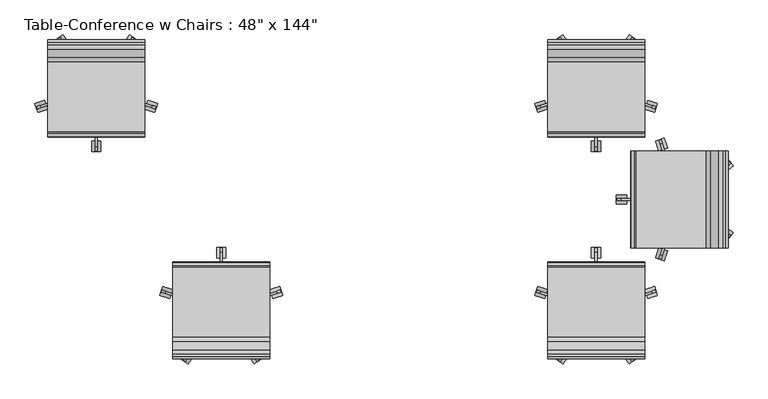
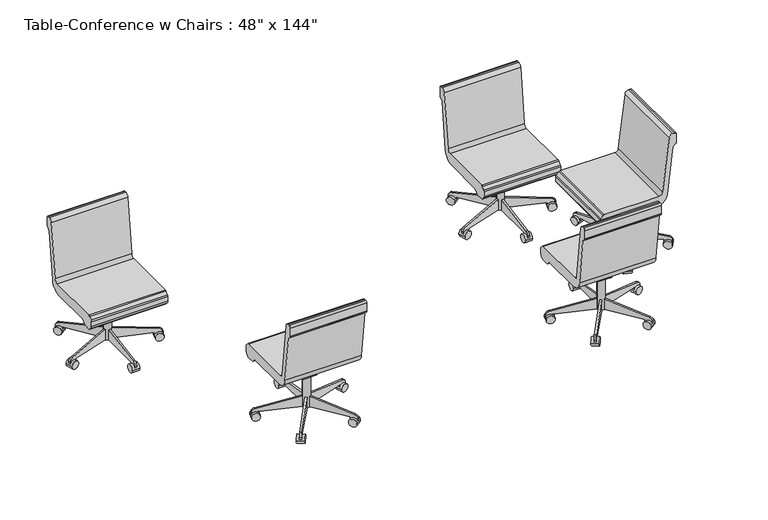
"""IFC4 building model written with IfcOpenShell, lengths in millimetres: furniture geometry."""

from ifc_helpers import new_model, si_unit, point, frame, frame_2d, origin, place, context, project, spatial, polyline, circle_curve, trimmed, segment, composite_curve, outline, extrude, source, transform, mapped, element, save


def furniture_2ba76473(model_context):
    return source(origin(), model_context, "Body", "SweptSolid", [
        extrude(outline(composite_curve([segment(trimmed(circle_curve(frame_2d((754.7509471, 482.6)), 25.4), [point((754.7509471, 457.2))], [point((779.9769725, 479.6322323))], True, "CARTESIAN"), True, "CONTINUOUS"), segment(polyline([(779.9769725, 479.6322323), (825.4988002, 866.5677677)]), True, "CONTINUOUS"), segment(trimmed(circle_curve(frame_2d((850.7248255, 863.6)), 25.4), [point((825.4988002, 866.5677677))], [point((850.7248255, 889.0))], False, "CARTESIAN"), True, "CONTINUOUS"), segment(polyline([(850.7248255, 889.0), (863.6, 889.0)]), True, "CONTINUOUS"), segment(trimmed(circle_curve(frame_2d((863.6, 876.3)), 12.7), [point((863.6, 889.0))], [point((876.3, 876.3))], False, "CARTESIAN"), True, "CONTINUOUS"), segment(polyline([(876.3, 876.3), (876.3, 818.0605122)]), True, "CONTINUOUS"), segment(trimmed(circle_curve(frame_2d((863.6, 818.0605122)), 12.7), [point((876.3, 818.0605122))], [point((872.5802561, 809.0802561))], False, "CARTESIAN"), True, "CONTINUOUS"), segment(polyline([(872.5802561, 809.0802561), (850.9, 787.4), (811.3329755, 451.0802913)]), True, "CONTINUOUS"), segment(trimmed(circle_curve(frame_2d((735.6548994, 459.9835944)), 76.2), [point((811.3329755, 451.0802913))], [point((735.6548994, 383.7835944))], False, "CARTESIAN"), True, "CONTINUOUS"), segment(polyline([(735.6548994, 383.7835944), (447.4714414, 383.7835944), (419.0988732, 355.6), (368.2988732, 355.6), (350.279576, 373.7401184)]), True, "CONTINUOUS"), segment(trimmed(circle_curve(frame_2d((368.3, 391.6405184)), 25.4), [point((350.279576, 373.7401184))], [point((342.9, 391.6405184))], False, "CARTESIAN"), True, "CONTINUOUS"), segment(polyline([(342.9, 391.6405184), (342.9, 426.6837879)]), True, "CONTINUOUS"), segment(trimmed(circle_curve(frame_2d((355.6, 426.6837879)), 12.7), [point((342.9, 426.6837879))], [point((346.6498, 435.6939999))], False, "CARTESIAN"), True, "CONTINUOUS"), segment(polyline([(346.6498, 435.6939999), (364.5854716, 453.510212)]), True, "CONTINUOUS"), segment(trimmed(circle_curve(frame_2d((373.5356716, 444.5)), 12.7), [point((364.5854716, 453.510212))], [point((373.5356716, 457.2))], False, "CARTESIAN"), True, "CONTINUOUS"), segment(polyline([(373.5356716, 457.2), (754.7509471, 457.2)]), True, "CONTINUOUS")], self_intersect=False)), frame((1104.9, 0.0, 0.0), z_axis=(1.0, 0.0, 0.0), x_axis=(0.0, 1.0, 0.0)), (0.0, 0.0, 1.0), 533.4),
        extrude(outline(polyline([(558.8, 383.7835944), (647.7, 383.7835944), (647.7, 283.0954134), (609.6, 283.0954134), (558.8, 371.0835944), (558.8, 383.7835944)])), frame((1320.8, 0.0, 0.0), z_axis=(1.0, 0.0, 0.0), x_axis=(0.0, 1.0, 0.0)), (0.0, 0.0, 1.0), 101.6),
        extrude(outline(composite_curve([segment(polyline([(317.5, 53.5835944), (317.5, 28.1835944), (266.7, 28.1835944), (266.7, 52.4866474)]), True, "CONTINUOUS"), segment(trimmed(circle_curve(frame_2d((292.1, 52.4866474)), 25.4), [point((266.7, 52.4866474))], [point((287.6893363, 77.5007643))], False, "CARTESIAN"), True, "CONTINUOUS"), segment(polyline([(287.6893363, 77.5007643), (584.2, 129.7835944), (609.6, 129.7835944), (609.6, 53.5835944), (317.5, 53.5835944)]), True, "CONTINUOUS")], self_intersect=False)), frame((1365.25, 0.0, 0.0), z_axis=(1.0, 0.0, 0.0), x_axis=(0.0, 1.0, 0.0)), (0.0, 0.0, 1.0), 12.7),
        extrude(outline(composite_curve([segment(trimmed(circle_curve(frame_2d((292.1, 28.1835944)), 28.2002727), [point((320.3002727, 28.1835944))], [point((263.8997273, 28.1835944))], False, "CARTESIAN"), True, "CONTINUOUS"), segment(trimmed(circle_curve(frame_2d((292.1, 28.1835944)), 28.2002727), [point((263.8997273, 28.1835944))], [point((320.3002727, 28.1835944))], False, "CARTESIAN"), True, "CONTINUOUS")], self_intersect=False)), frame((1346.2, 0.0, 0.0), z_axis=(1.0, 0.0, 0.0), x_axis=(0.0, 1.0, 0.0)), (0.0, 0.0, 1.0), 50.8),
        extrude(outline(composite_curve([segment(polyline([(-25.4, 0.0), (0.0, 0.0), (0.0, -50.8), (-24.303053, -50.8)]), True, "CONTINUOUS"), segment(trimmed(circle_curve(frame_2d((-24.303053, -25.4)), 25.4), [point((-24.303053, -50.8))], [point((-49.3171699, -29.8106637))], False, "CARTESIAN"), True, "CONTINUOUS"), segment(polyline([(-49.3171699, -29.8106637), (-101.6, 266.7), (-101.6, 292.1), (-25.4, 292.1), (-25.4, 0.0)]), True, "CONTINUOUS")], self_intersect=False)), frame((1647.4413505, 513.2969271, 28.1835944), z_axis=(0.30901699437495167, 0.9510565162951522, 0.0), x_axis=(0.0, 0.0, -1.0)), (0.0, 0.0, 1.0), 12.7),
        extrude(outline(composite_curve([segment(trimmed(circle_curve(frame_2d((0.0, -28.2002727)), 28.2002727), [point((0.0, -56.4005455))], [point((0.0, 0.0))], False, "CARTESIAN"), True, "CONTINUOUS"), segment(trimmed(circle_curve(frame_2d((0.0, -28.2002727)), 28.2002727), [point((0.0, 0.0))], [point((0.0, -56.4005455))], False, "CARTESIAN"), True, "CONTINUOUS")], self_intersect=False)), frame((1692.5314654, 478.6159053, 28.1835944), z_axis=(0.30901699437495167, 0.9510565162951522, 0.0), x_axis=(0.0, 0.0, 1.0)), (0.0, 0.0, 1.0), 50.8),
        extrude(outline(composite_curve([segment(polyline([(-25.4, 0.0), (0.0, 0.0), (0.0, -50.8), (-24.303053, -50.8)]), True, "CONTINUOUS"), segment(trimmed(circle_curve(frame_2d((-24.303053, -25.4)), 25.4), [point((-24.303053, -50.8))], [point((-49.3171699, -29.8106638))], False, "CARTESIAN"), True, "CONTINUOUS"), segment(polyline([(-49.3171699, -29.8106638), (-101.6, 266.7), (-101.6, 292.1), (-25.4, 292.1), (-25.4, 0.0)]), True, "CONTINUOUS")], self_intersect=False)), frame((1548.4293301, 842.1814277, 28.1835944), z_axis=(-0.809016994374944, 0.5877852522924779, 0.0), x_axis=(0.0, 0.0, -1.0)), (0.0, 0.0, 1.0), 12.7),
        extrude(outline(composite_curve([segment(trimmed(circle_curve(frame_2d((0.0, -28.2002727)), 28.2002727), [point((0.0, -56.4005455))], [point((0.0, 0.0))], False, "CARTESIAN"), True, "CONTINUOUS"), segment(trimmed(circle_curve(frame_2d((0.0, -28.2002727)), 28.2002727), [point((0.0, 0.0))], [point((0.0, -56.4005455))], False, "CARTESIAN"), True, "CONTINUOUS")], self_intersect=False)), frame((1595.3465537, 874.3476502, 28.1835944), z_axis=(-0.809016994374944, 0.587785252292478, 0.0), x_axis=(0.0, 0.0, 1.0)), (0.0, 0.0, 1.0), 50.8),
        extrude(outline(composite_curve([segment(polyline([(25.4, 0.0), (25.4, 292.1), (101.6, 292.1), (101.6, 266.7), (49.3171699, -29.8106638)]), True, "CONTINUOUS"), segment(trimmed(circle_curve(frame_2d((24.303053, -25.4)), 25.4), [point((49.3171699, -29.8106638))], [point((24.303053, -50.8))], False, "CARTESIAN"), True, "CONTINUOUS"), segment(polyline([(24.303053, -50.8), (0.0, -50.8), (0.0, 0.0), (25.4, 0.0)]), True, "CONTINUOUS")], self_intersect=False)), frame((1194.7706699, 842.1814277, 28.1835944), z_axis=(0.8090169943749518, 0.5877852522924674, 0.0), x_axis=(0.0, 0.0, 1.0)), (0.0, 0.0, 1.0), 12.7),
        extrude(outline(composite_curve([segment(trimmed(circle_curve(frame_2d((0.0, -28.2002727)), 28.2002727), [point((0.0, -56.4005455))], [point((0.0, 0.0))], False, "CARTESIAN"), True, "CONTINUOUS"), segment(trimmed(circle_curve(frame_2d((0.0, -28.2002727)), 28.2002727), [point((0.0, 0.0))], [point((0.0, -56.4005455))], False, "CARTESIAN"), True, "CONTINUOUS")], self_intersect=False)), frame((1147.8534463, 874.3476502, 28.1835944), z_axis=(0.8090169943749518, 0.5877852522924674, 0.0), x_axis=(0.0, 0.0, -1.0)), (0.0, 0.0, 1.0), 50.8),
        extrude(outline(composite_curve([segment(polyline([(25.4, 0.0), (25.4, 292.1), (101.6, 292.1), (101.6, 266.7), (49.3171699, -29.8106637)]), True, "CONTINUOUS"), segment(trimmed(circle_curve(frame_2d((24.303053, -25.4)), 25.4), [point((49.3171699, -29.8106637))], [point((24.303053, -50.8))], False, "CARTESIAN"), True, "CONTINUOUS"), segment(polyline([(24.303053, -50.8), (0.0, -50.8), (0.0, 0.0), (25.4, 0.0)]), True, "CONTINUOUS")], self_intersect=False)), frame((1095.7586495, 513.2969271, 28.1835944), z_axis=(-0.3090169943749393, 0.9510565162951563, 0.0), x_axis=(0.0, 0.0, 1.0)), (0.0, 0.0, 1.0), 12.7),
        extrude(outline(composite_curve([segment(trimmed(circle_curve(frame_2d((0.0, -28.2002727)), 28.2002727), [point((0.0, -56.4005455))], [point((0.0, 0.0))], False, "CARTESIAN"), True, "CONTINUOUS"), segment(trimmed(circle_curve(frame_2d((0.0, -28.2002727)), 28.2002727), [point((0.0, 0.0))], [point((0.0, -56.4005455))], False, "CARTESIAN"), True, "CONTINUOUS")], self_intersect=False)), frame((1050.6685346, 478.6159053, 28.1835944), z_axis=(-0.3090169943749393, 0.9510565162951563, 0.0), x_axis=(0.0, 0.0, -1.0)), (0.0, 0.0, 1.0), 50.8),
        extrude(outline(composite_curve([segment(trimmed(circle_curve(frame_2d((1371.6, 609.6)), 25.4), [point((1397.0, 609.6))], [point((1346.2, 609.6))], False, "CARTESIAN"), True, "CONTINUOUS"), segment(trimmed(circle_curve(frame_2d((1371.6, 609.6)), 25.4), [point((1346.2, 609.6))], [point((1397.0, 609.6))], False, "CARTESIAN"), True, "CONTINUOUS")], self_intersect=False)), frame((0.0, 0.0, 53.5835944), z_axis=(0.0, 0.0, 1.0), x_axis=(1.0, 0.0, 0.0)), (0.0, 0.0, 1.0), 330.5914056),
        extrude(outline(composite_curve([segment(polyline([(-754.7509471, 457.2), (-373.5356716, 457.2)]), True, "CONTINUOUS"), segment(trimmed(circle_curve(frame_2d((-373.5356716, 444.5)), 12.7), [point((-373.5356716, 457.2))], [point((-364.5854716, 453.510212))], False, "CARTESIAN"), True, "CONTINUOUS"), segment(polyline([(-364.5854716, 453.510212), (-346.6498, 435.6939999)]), True, "CONTINUOUS"), segment(trimmed(circle_curve(frame_2d((-355.6, 426.6837879)), 12.7), [point((-346.6498, 435.6939999))], [point((-342.9, 426.6837879))], False, "CARTESIAN"), True, "CONTINUOUS"), segment(polyline([(-342.9, 426.6837879), (-342.9, 391.6405184)]), True, "CONTINUOUS"), segment(trimmed(circle_curve(frame_2d((-368.3, 391.6405184)), 25.4), [point((-342.9, 391.6405184))], [point((-350.279576, 373.7401184))], False, "CARTESIAN"), True, "CONTINUOUS"), segment(polyline([(-350.279576, 373.7401184), (-368.2988732, 355.6), (-419.0988732, 355.6), (-447.4714414, 383.7835944), (-735.6548994, 383.7835944)]), True, "CONTINUOUS"), segment(trimmed(circle_curve(frame_2d((-735.6548994, 459.9835944)), 76.2), [point((-735.6548994, 383.7835944))], [point((-811.3329755, 451.0802913))], False, "CARTESIAN"), True, "CONTINUOUS"), segment(polyline([(-811.3329755, 451.0802913), (-850.9, 787.4), (-872.5802561, 809.0802561)]), True, "CONTINUOUS"), segment(trimmed(circle_curve(frame_2d((-863.6, 818.0605122)), 12.7), [point((-872.5802561, 809.0802561))], [point((-876.3, 818.0605122))], False, "CARTESIAN"), True, "CONTINUOUS"), segment(polyline([(-876.3, 818.0605122), (-876.3, 876.3)]), True, "CONTINUOUS"), segment(trimmed(circle_curve(frame_2d((-863.6, 876.3)), 12.7), [point((-876.3, 876.3))], [point((-863.6, 889.0))], False, "CARTESIAN"), True, "CONTINUOUS"), segment(polyline([(-863.6, 889.0), (-850.7248255, 889.0)]), True, "CONTINUOUS"), segment(trimmed(circle_curve(frame_2d((-850.7248255, 863.6)), 25.4), [point((-850.7248255, 889.0))], [point((-825.4988002, 866.5677677))], False, "CARTESIAN"), True, "CONTINUOUS"), segment(polyline([(-825.4988002, 866.5677677), (-779.9769725, 479.6322323)]), True, "CONTINUOUS"), segment(trimmed(circle_curve(frame_2d((-754.7509471, 482.6)), 25.4), [point((-779.9769725, 479.6322323))], [point((-754.7509471, 457.2))], True, "CARTESIAN"), True, "CONTINUOUS")], self_intersect=False)), frame((-952.5, 0.0, 0.0), z_axis=(1.0, 0.0, 0.0), x_axis=(0.0, 1.0, 0.0)), (0.0, 0.0, 1.0), 533.4),
        extrude(outline(polyline([(-558.8, 383.7835944), (-558.8, 371.0835944), (-609.6, 283.0954134), (-647.7, 283.0954134), (-647.7, 383.7835944), (-558.8, 383.7835944)])), frame((-736.6, 0.0, 0.0), z_axis=(1.0, 0.0, 0.0), x_axis=(0.0, 1.0, 0.0)), (0.0, 0.0, 1.0), 101.6),
        extrude(outline(composite_curve([segment(polyline([(-317.5, 53.5835944), (-609.6, 53.5835944), (-609.6, 129.7835944), (-584.2, 129.7835944), (-287.6893363, 77.5007643)]), True, "CONTINUOUS"), segment(trimmed(circle_curve(frame_2d((-292.1, 52.4866474)), 25.4), [point((-287.6893363, 77.5007643))], [point((-266.7, 52.4866474))], False, "CARTESIAN"), True, "CONTINUOUS"), segment(polyline([(-266.7, 52.4866474), (-266.7, 28.1835944), (-317.5, 28.1835944), (-317.5, 53.5835944)]), True, "CONTINUOUS")], self_intersect=False)), frame((-692.15, 0.0, 0.0), z_axis=(1.0, 0.0, 0.0), x_axis=(0.0, 1.0, 0.0)), (0.0, 0.0, 1.0), 12.7),
        extrude(outline(composite_curve([segment(trimmed(circle_curve(frame_2d((-292.1, 28.1835944)), 28.2002727), [point((-320.3002727, 28.1835944))], [point((-263.8997273, 28.1835944))], False, "CARTESIAN"), True, "CONTINUOUS"), segment(trimmed(circle_curve(frame_2d((-292.1, 28.1835944)), 28.2002727), [point((-263.8997273, 28.1835944))], [point((-320.3002727, 28.1835944))], False, "CARTESIAN"), True, "CONTINUOUS")], self_intersect=False)), frame((-711.2, 0.0, 0.0), z_axis=(1.0, 0.0, 0.0), x_axis=(0.0, 1.0, 0.0)), (0.0, 0.0, 1.0), 50.8),
        extrude(outline(composite_curve([segment(polyline([(25.4, 0.0), (25.4, 292.1), (101.6, 292.1), (101.6, 266.7), (49.3171699, -29.8106637)]), True, "CONTINUOUS"), segment(trimmed(circle_curve(frame_2d((24.303053, -25.4)), 25.4), [point((49.3171699, -29.8106637))], [point((24.303053, -50.8000001))], False, "CARTESIAN"), True, "CONTINUOUS"), segment(polyline([(24.303053, -50.8000001), (0.0, -50.8000001), (0.0, 0.0), (25.4, 0.0)]), True, "CONTINUOUS")], self_intersect=False)), frame((-965.5658663, -525.3753448, 28.1835944), z_axis=(0.3090169943749487, 0.9510565162951532, 0.0), x_axis=(0.0, 0.0, 1.0)), (0.0, 0.0, 1.0), 12.7),
        extrude(outline(composite_curve([segment(trimmed(circle_curve(frame_2d((0.0, -28.2002727)), 28.2002727), [point((0.0, -56.4005454))], [point((0.0, 0.0))], False, "CARTESIAN"), True, "CONTINUOUS"), segment(trimmed(circle_curve(frame_2d((0.0, -28.2002727)), 28.2002727), [point((0.0, 0.0))], [point((0.0, -56.4005454))], False, "CARTESIAN"), True, "CONTINUOUS")], self_intersect=False)), frame((-1022.4295287, -526.9295763, 28.1835944), z_axis=(0.3090169943749487, 0.9510565162951532, 0.0), x_axis=(0.0, 0.0, -1.0)), (0.0, 0.0, 1.0), 50.8),
        extrude(outline(composite_curve([segment(polyline([(25.4, 0.0), (25.4, 292.1), (101.6, 292.1), (101.6, 266.7), (49.3171699, -29.8106638)]), True, "CONTINUOUS"), segment(trimmed(circle_curve(frame_2d((24.303053, -25.4)), 25.4), [point((49.3171699, -29.8106638))], [point((24.303053, -50.8))], False, "CARTESIAN"), True, "CONTINUOUS"), segment(polyline([(24.303053, -50.8), (0.0, -50.8), (0.0, 0.0), (25.4, 0.0)]), True, "CONTINUOUS")], self_intersect=False)), frame((-852.3548143, -849.6463004, 28.1835944), z_axis=(-0.8090169943749459, 0.5877852522924754, 0.0), x_axis=(0.0, 0.0, 1.0)), (0.0, 0.0, 1.0), 12.7),
        extrude(outline(composite_curve([segment(trimmed(circle_curve(frame_2d((0.0, -28.2002728)), 28.2002727), [point((0.0, -56.4005455))], [point((0.0, 0.0))], False, "CARTESIAN"), True, "CONTINUOUS"), segment(trimmed(circle_curve(frame_2d((0.0, -28.2002728)), 28.2002727), [point((0.0, 0.0))], [point((0.0, -56.4005455))], False, "CARTESIAN"), True, "CONTINUOUS")], self_intersect=False)), frame((-868.4484904, -904.207141, 28.1835944), z_axis=(-0.8090169943749458, 0.5877852522924754, 0.0), x_axis=(0.0, 0.0, -1.0)), (0.0, 0.0, 1.0), 50.8),
        extrude(outline(composite_curve([segment(polyline([(-25.4, 0.0), (0.0, 0.0), (0.0, -50.8), (-24.303053, -50.8)]), True, "CONTINUOUS"), segment(trimmed(circle_curve(frame_2d((-24.303053, -25.4)), 25.4), [point((-24.303053, -50.8))], [point((-49.3171699, -29.8106638))], False, "CARTESIAN"), True, "CONTINUOUS"), segment(polyline([(-49.3171699, -29.8106638), (-101.6, 266.7), (-101.6, 292.1), (-25.4, 292.1), (-25.4, 0.0)]), True, "CONTINUOUS")], self_intersect=False)), frame((-519.2451857, -849.6463004, 28.1835944), z_axis=(0.8090169943749499, 0.5877852522924699, 0.0), x_axis=(0.0, 0.0, -1.0)), (0.0, 0.0, 1.0), 12.7),
        extrude(outline(composite_curve([segment(trimmed(circle_curve(frame_2d((0.0, -28.2002728)), 28.2002727), [point((0.0, -56.4005455))], [point((0.0, 0.0))], False, "CARTESIAN"), True, "CONTINUOUS"), segment(trimmed(circle_curve(frame_2d((0.0, -28.2002728)), 28.2002727), [point((0.0, 0.0))], [point((0.0, -56.4005455))], False, "CARTESIAN"), True, "CONTINUOUS")], self_intersect=False)), frame((-503.1515096, -904.207141, 28.1835944), z_axis=(0.8090169943749499, 0.5877852522924699, 0.0), x_axis=(0.0, 0.0, 1.0)), (0.0, 0.0, 1.0), 50.8),
        extrude(outline(composite_curve([segment(polyline([(-25.4, 0.0), (0.0, 0.0), (0.0, -50.8000001), (-24.303053, -50.8000001)]), True, "CONTINUOUS"), segment(trimmed(circle_curve(frame_2d((-24.303053, -25.4)), 25.4), [point((-24.303053, -50.8000001))], [point((-49.3171699, -29.8106637))], False, "CARTESIAN"), True, "CONTINUOUS"), segment(polyline([(-49.3171699, -29.8106637), (-101.6, 266.7), (-101.6, 292.1), (-25.4, 292.1), (-25.4, 0.0)]), True, "CONTINUOUS")], self_intersect=False)), frame((-406.0341337, -525.3753448, 28.1835944), z_axis=(-0.3090169943749423, 0.9510565162951553, 0.0), x_axis=(0.0, 0.0, -1.0)), (0.0, 0.0, 1.0), 12.7),
        extrude(outline(composite_curve([segment(trimmed(circle_curve(frame_2d((0.0, -28.2002727)), 28.2002727), [point((0.0, -56.4005454))], [point((0.0, 0.0))], False, "CARTESIAN"), True, "CONTINUOUS"), segment(trimmed(circle_curve(frame_2d((0.0, -28.2002727)), 28.2002727), [point((0.0, 0.0))], [point((0.0, -56.4005454))], False, "CARTESIAN"), True, "CONTINUOUS")], self_intersect=False)), frame((-349.1704713, -526.9295763, 28.1835944), z_axis=(-0.3090169943749423, 0.9510565162951553, 0.0), x_axis=(0.0, 0.0, 1.0)), (0.0, 0.0, 1.0), 50.8),
        extrude(outline(composite_curve([segment(trimmed(circle_curve(frame_2d((-685.8, -609.6)), 25.4), [point((-711.2, -609.6))], [point((-660.4, -609.6))], False, "CARTESIAN"), True, "CONTINUOUS"), segment(trimmed(circle_curve(frame_2d((-685.8, -609.6)), 25.4), [point((-660.4, -609.6))], [point((-711.2, -609.6))], False, "CARTESIAN"), True, "CONTINUOUS")], self_intersect=False)), frame((0.0, 0.0, 53.5835944), z_axis=(0.0, 0.0, 1.0), x_axis=(1.0, 0.0, 0.0)), (0.0, 0.0, 1.0), 330.5914056),
        extrude(outline(composite_curve([segment(polyline([(-754.7509471, 457.2), (-373.5356716, 457.2)]), True, "CONTINUOUS"), segment(trimmed(circle_curve(frame_2d((-373.5356716, 444.5)), 12.7), [point((-373.5356716, 457.2))], [point((-364.5854716, 453.510212))], False, "CARTESIAN"), True, "CONTINUOUS"), segment(polyline([(-364.5854716, 453.510212), (-346.6498, 435.6939999)]), True, "CONTINUOUS"), segment(trimmed(circle_curve(frame_2d((-355.6, 426.6837879)), 12.7), [point((-346.6498, 435.6939999))], [point((-342.9, 426.6837879))], False, "CARTESIAN"), True, "CONTINUOUS"), segment(polyline([(-342.9, 426.6837879), (-342.9, 391.6405184)]), True, "CONTINUOUS"), segment(trimmed(circle_curve(frame_2d((-368.3, 391.6405184)), 25.4), [point((-342.9, 391.6405184))], [point((-350.279576, 373.7401184))], False, "CARTESIAN"), True, "CONTINUOUS"), segment(polyline([(-350.279576, 373.7401184), (-368.2988732, 355.6), (-419.0988732, 355.6), (-447.4714414, 383.7835944), (-735.6548994, 383.7835944)]), True, "CONTINUOUS"), segment(trimmed(circle_curve(frame_2d((-735.6548994, 459.9835944)), 76.2), [point((-735.6548994, 383.7835944))], [point((-811.3329755, 451.0802913))], False, "CARTESIAN"), True, "CONTINUOUS"), segment(polyline([(-811.3329755, 451.0802913), (-850.9, 787.4), (-872.5802561, 809.0802561)]), True, "CONTINUOUS"), segment(trimmed(circle_curve(frame_2d((-863.6, 818.0605122)), 12.7), [point((-872.5802561, 809.0802561))], [point((-876.3, 818.0605122))], False, "CARTESIAN"), True, "CONTINUOUS"), segment(polyline([(-876.3, 818.0605122), (-876.3, 876.3)]), True, "CONTINUOUS"), segment(trimmed(circle_curve(frame_2d((-863.6, 876.3)), 12.7), [point((-876.3, 876.3))], [point((-863.6, 889.0))], False, "CARTESIAN"), True, "CONTINUOUS"), segment(polyline([(-863.6, 889.0), (-850.7248255, 889.0)]), True, "CONTINUOUS"), segment(trimmed(circle_curve(frame_2d((-850.7248255, 863.6)), 25.4), [point((-850.7248255, 889.0))], [point((-825.4988002, 866.5677677))], False, "CARTESIAN"), True, "CONTINUOUS"), segment(polyline([(-825.4988002, 866.5677677), (-779.9769725, 479.6322323)]), True, "CONTINUOUS"), segment(trimmed(circle_curve(frame_2d((-754.7509471, 482.6)), 25.4), [point((-779.9769725, 479.6322323))], [point((-754.7509471, 457.2))], True, "CARTESIAN"), True, "CONTINUOUS")], self_intersect=False)), frame((1104.9, 0.0, 0.0), z_axis=(1.0, 0.0, 0.0), x_axis=(0.0, 1.0, 0.0)), (0.0, 0.0, 1.0), 533.4),
        extrude(outline(polyline([(-558.8, 383.7835944), (-558.8, 371.0835944), (-609.6, 283.0954134), (-647.7, 283.0954134), (-647.7, 383.7835944), (-558.8, 383.7835944)])), frame((1320.8, 0.0, 0.0), z_axis=(1.0, 0.0, 0.0), x_axis=(0.0, 1.0, 0.0)), (0.0, 0.0, 1.0), 101.6),
        extrude(outline(composite_curve([segment(polyline([(-317.5, 53.5835944), (-609.6, 53.5835944), (-609.6, 129.7835944), (-584.2, 129.7835944), (-287.6893363, 77.5007643)]), True, "CONTINUOUS"), segment(trimmed(circle_curve(frame_2d((-292.1, 52.4866474)), 25.4), [point((-287.6893363, 77.5007643))], [point((-266.7, 52.4866474))], False, "CARTESIAN"), True, "CONTINUOUS"), segment(polyline([(-266.7, 52.4866474), (-266.7, 28.1835944), (-317.5, 28.1835944), (-317.5, 53.5835944)]), True, "CONTINUOUS")], self_intersect=False)), frame((1365.25, 0.0, 0.0), z_axis=(1.0, 0.0, 0.0), x_axis=(0.0, 1.0, 0.0)), (0.0, 0.0, 1.0), 12.7),
        extrude(outline(composite_curve([segment(trimmed(circle_curve(frame_2d((-292.1, 28.1835944)), 28.2002727), [point((-320.3002727, 28.1835944))], [point((-263.8997273, 28.1835944))], False, "CARTESIAN"), True, "CONTINUOUS"), segment(trimmed(circle_curve(frame_2d((-292.1, 28.1835944)), 28.2002727), [point((-263.8997273, 28.1835944))], [point((-320.3002727, 28.1835944))], False, "CARTESIAN"), True, "CONTINUOUS")], self_intersect=False)), frame((1346.2, 0.0, 0.0), z_axis=(1.0, 0.0, 0.0), x_axis=(0.0, 1.0, 0.0)), (0.0, 0.0, 1.0), 50.8),
        extrude(outline(composite_curve([segment(polyline([(25.4, 0.0), (25.4, 292.1), (101.6, 292.1), (101.6, 266.7), (49.3171699, -29.8106637)]), True, "CONTINUOUS"), segment(trimmed(circle_curve(frame_2d((24.303053, -25.4)), 25.4), [point((49.3171699, -29.8106637))], [point((24.303053, -50.8000001))], False, "CARTESIAN"), True, "CONTINUOUS"), segment(polyline([(24.303053, -50.8000001), (0.0, -50.8000001), (0.0, 0.0), (25.4, 0.0)]), True, "CONTINUOUS")], self_intersect=False)), frame((1091.8341337, -525.3753448, 28.1835944), z_axis=(0.3090169943749487, 0.9510565162951532, 0.0), x_axis=(0.0, 0.0, 1.0)), (0.0, 0.0, 1.0), 12.7),
        extrude(outline(composite_curve([segment(trimmed(circle_curve(frame_2d((0.0, -28.2002727)), 28.2002727), [point((0.0, -56.4005454))], [point((0.0, 0.0))], False, "CARTESIAN"), True, "CONTINUOUS"), segment(trimmed(circle_curve(frame_2d((0.0, -28.2002727)), 28.2002727), [point((0.0, 0.0))], [point((0.0, -56.4005454))], False, "CARTESIAN"), True, "CONTINUOUS")], self_intersect=False)), frame((1034.9704713, -526.9295763, 28.1835944), z_axis=(0.3090169943749487, 0.9510565162951532, 0.0), x_axis=(0.0, 0.0, -1.0)), (0.0, 0.0, 1.0), 50.8),
        extrude(outline(composite_curve([segment(polyline([(25.4, 0.0), (25.4, 292.1), (101.6, 292.1), (101.6, 266.7), (49.3171699, -29.8106638)]), True, "CONTINUOUS"), segment(trimmed(circle_curve(frame_2d((24.303053, -25.4)), 25.4), [point((49.3171699, -29.8106638))], [point((24.303053, -50.8))], False, "CARTESIAN"), True, "CONTINUOUS"), segment(polyline([(24.303053, -50.8), (0.0, -50.8), (0.0, 0.0), (25.4, 0.0)]), True, "CONTINUOUS")], self_intersect=False)), frame((1205.0451857, -849.6463004, 28.1835944), z_axis=(-0.8090169943749459, 0.5877852522924754, 0.0), x_axis=(0.0, 0.0, 1.0)), (0.0, 0.0, 1.0), 12.7),
        extrude(outline(composite_curve([segment(trimmed(circle_curve(frame_2d((0.0, -28.2002728)), 28.2002727), [point((0.0, -56.4005455))], [point((0.0, 0.0))], False, "CARTESIAN"), True, "CONTINUOUS"), segment(trimmed(circle_curve(frame_2d((0.0, -28.2002728)), 28.2002727), [point((0.0, 0.0))], [point((0.0, -56.4005455))], False, "CARTESIAN"), True, "CONTINUOUS")], self_intersect=False)), frame((1188.9515096, -904.207141, 28.1835944), z_axis=(-0.8090169943749458, 0.5877852522924754, 0.0), x_axis=(0.0, 0.0, -1.0)), (0.0, 0.0, 1.0), 50.8),
        extrude(outline(composite_curve([segment(polyline([(-25.4, 0.0), (0.0, 0.0), (0.0, -50.8), (-24.303053, -50.8)]), True, "CONTINUOUS"), segment(trimmed(circle_curve(frame_2d((-24.303053, -25.4)), 25.4), [point((-24.303053, -50.8))], [point((-49.3171699, -29.8106638))], False, "CARTESIAN"), True, "CONTINUOUS"), segment(polyline([(-49.3171699, -29.8106638), (-101.6, 266.7), (-101.6, 292.1), (-25.4, 292.1), (-25.4, 0.0)]), True, "CONTINUOUS")], self_intersect=False)), frame((1538.1548143, -849.6463004, 28.1835944), z_axis=(0.8090169943749499, 0.5877852522924699, 0.0), x_axis=(0.0, 0.0, -1.0)), (0.0, 0.0, 1.0), 12.7),
        extrude(outline(composite_curve([segment(trimmed(circle_curve(frame_2d((0.0, -28.2002728)), 28.2002727), [point((0.0, -56.4005455))], [point((0.0, 0.0))], False, "CARTESIAN"), True, "CONTINUOUS"), segment(trimmed(circle_curve(frame_2d((0.0, -28.2002728)), 28.2002727), [point((0.0, 0.0))], [point((0.0, -56.4005455))], False, "CARTESIAN"), True, "CONTINUOUS")], self_intersect=False)), frame((1554.2484904, -904.207141, 28.1835944), z_axis=(0.8090169943749499, 0.5877852522924699, 0.0), x_axis=(0.0, 0.0, 1.0)), (0.0, 0.0, 1.0), 50.8),
        extrude(outline(composite_curve([segment(polyline([(-25.4, 0.0), (0.0, 0.0), (0.0, -50.8000001), (-24.303053, -50.8000001)]), True, "CONTINUOUS"), segment(trimmed(circle_curve(frame_2d((-24.303053, -25.4)), 25.4), [point((-24.303053, -50.8000001))], [point((-49.3171699, -29.8106637))], False, "CARTESIAN"), True, "CONTINUOUS"), segment(polyline([(-49.3171699, -29.8106637), (-101.6, 266.7), (-101.6, 292.1), (-25.4, 292.1), (-25.4, 0.0)]), True, "CONTINUOUS")], self_intersect=False)), frame((1651.3658663, -525.3753448, 28.1835944), z_axis=(-0.3090169943749423, 0.9510565162951553, 0.0), x_axis=(0.0, 0.0, -1.0)), (0.0, 0.0, 1.0), 12.7),
        extrude(outline(composite_curve([segment(trimmed(circle_curve(frame_2d((0.0, -28.2002727)), 28.2002727), [point((0.0, -56.4005454))], [point((0.0, 0.0))], False, "CARTESIAN"), True, "CONTINUOUS"), segment(trimmed(circle_curve(frame_2d((0.0, -28.2002727)), 28.2002727), [point((0.0, 0.0))], [point((0.0, -56.4005454))], False, "CARTESIAN"), True, "CONTINUOUS")], self_intersect=False)), frame((1708.2295287, -526.9295763, 28.1835944), z_axis=(-0.3090169943749423, 0.9510565162951553, 0.0), x_axis=(0.0, 0.0, 1.0)), (0.0, 0.0, 1.0), 50.8),
        extrude(outline(composite_curve([segment(trimmed(circle_curve(frame_2d((1371.6, -609.6)), 25.4), [point((1346.2, -609.6))], [point((1397.0, -609.6))], False, "CARTESIAN"), True, "CONTINUOUS"), segment(trimmed(circle_curve(frame_2d((1371.6, -609.6)), 25.4), [point((1397.0, -609.6))], [point((1346.2, -609.6))], False, "CARTESIAN"), True, "CONTINUOUS")], self_intersect=False)), frame((0.0, 0.0, 53.5835944), z_axis=(0.0, 0.0, 1.0), x_axis=(1.0, 0.0, 0.0)), (0.0, 0.0, 1.0), 330.5914056),
        extrude(outline(composite_curve([segment(trimmed(circle_curve(frame_2d((754.7509471, 482.6)), 25.4), [point((754.7509471, 457.2))], [point((779.9769725, 479.6322323))], True, "CARTESIAN"), True, "CONTINUOUS"), segment(polyline([(779.9769725, 479.6322323), (825.4988002, 866.5677677)]), True, "CONTINUOUS"), segment(trimmed(circle_curve(frame_2d((850.7248255, 863.6)), 25.4), [point((825.4988002, 866.5677677))], [point((850.7248255, 889.0))], False, "CARTESIAN"), True, "CONTINUOUS"), segment(polyline([(850.7248255, 889.0), (863.6, 889.0)]), True, "CONTINUOUS"), segment(trimmed(circle_curve(frame_2d((863.6, 876.3)), 12.7), [point((863.6, 889.0))], [point((876.3, 876.3))], False, "CARTESIAN"), True, "CONTINUOUS"), segment(polyline([(876.3, 876.3), (876.3, 818.0605122)]), True, "CONTINUOUS"), segment(trimmed(circle_curve(frame_2d((863.6, 818.0605122)), 12.7), [point((876.3, 818.0605122))], [point((872.5802561, 809.0802561))], False, "CARTESIAN"), True, "CONTINUOUS"), segment(polyline([(872.5802561, 809.0802561), (850.9, 787.4), (811.3329755, 451.0802913)]), True, "CONTINUOUS"), segment(trimmed(circle_curve(frame_2d((735.6548994, 459.9835944)), 76.2), [point((811.3329755, 451.0802913))], [point((735.6548994, 383.7835944))], False, "CARTESIAN"), True, "CONTINUOUS"), segment(polyline([(735.6548994, 383.7835944), (447.4714414, 383.7835944), (419.0988732, 355.6), (368.2988732, 355.6), (350.279576, 373.7401184)]), True, "CONTINUOUS"), segment(trimmed(circle_curve(frame_2d((368.3, 391.6405184)), 25.4), [point((350.279576, 373.7401184))], [point((342.9, 391.6405184))], False, "CARTESIAN"), True, "CONTINUOUS"), segment(polyline([(342.9, 391.6405184), (342.9, 426.6837879)]), True, "CONTINUOUS"), segment(trimmed(circle_curve(frame_2d((355.6, 426.6837879)), 12.7), [point((342.9, 426.6837879))], [point((346.6498, 435.6939999))], False, "CARTESIAN"), True, "CONTINUOUS"), segment(polyline([(346.6498, 435.6939999), (364.5854716, 453.510212)]), True, "CONTINUOUS"), segment(trimmed(circle_curve(frame_2d((373.5356716, 444.5)), 12.7), [point((364.5854716, 453.510212))], [point((373.5356716, 457.2))], False, "CARTESIAN"), True, "CONTINUOUS"), segment(polyline([(373.5356716, 457.2), (754.7509471, 457.2)]), True, "CONTINUOUS")], self_intersect=False)), frame((-1638.3, 0.0, 0.0), z_axis=(1.0, 0.0, 0.0), x_axis=(0.0, 1.0, 0.0)), (0.0, 0.0, 1.0), 533.4),
        extrude(outline(polyline([(558.8, 383.7835944), (647.7, 383.7835944), (647.7, 283.0954134), (609.6, 283.0954134), (558.8, 371.0835944), (558.8, 383.7835944)])), frame((-1422.4, 0.0, 0.0), z_axis=(1.0, 0.0, 0.0), x_axis=(0.0, 1.0, 0.0)), (0.0, 0.0, 1.0), 101.6),
        extrude(outline(composite_curve([segment(polyline([(317.5, 53.5835944), (317.5, 28.1835944), (266.7, 28.1835944), (266.7, 52.4866474)]), True, "CONTINUOUS"), segment(trimmed(circle_curve(frame_2d((292.1, 52.4866474)), 25.4), [point((266.7, 52.4866474))], [point((287.6893363, 77.5007643))], False, "CARTESIAN"), True, "CONTINUOUS"), segment(polyline([(287.6893363, 77.5007643), (584.2, 129.7835944), (609.6, 129.7835944), (609.6, 53.5835944), (317.5, 53.5835944)]), True, "CONTINUOUS")], self_intersect=False)), frame((-1377.95, 0.0, 0.0), z_axis=(1.0, 0.0, 0.0), x_axis=(0.0, 1.0, 0.0)), (0.0, 0.0, 1.0), 12.7),
        extrude(outline(composite_curve([segment(trimmed(circle_curve(frame_2d((292.1, 28.1835944)), 28.2002727), [point((320.3002727, 28.1835944))], [point((263.8997273, 28.1835944))], False, "CARTESIAN"), True, "CONTINUOUS"), segment(trimmed(circle_curve(frame_2d((292.1, 28.1835944)), 28.2002727), [point((263.8997273, 28.1835944))], [point((320.3002727, 28.1835944))], False, "CARTESIAN"), True, "CONTINUOUS")], self_intersect=False)), frame((-1397.0, 0.0, 0.0), z_axis=(1.0, 0.0, 0.0), x_axis=(0.0, 1.0, 0.0)), (0.0, 0.0, 1.0), 50.8),
        extrude(outline(composite_curve([segment(polyline([(-25.4, 0.0), (0.0, 0.0), (0.0, -50.8), (-24.303053, -50.8)]), True, "CONTINUOUS"), segment(trimmed(circle_curve(frame_2d((-24.303053, -25.4)), 25.4), [point((-24.303053, -50.8))], [point((-49.3171699, -29.8106637))], False, "CARTESIAN"), True, "CONTINUOUS"), segment(polyline([(-49.3171699, -29.8106637), (-101.6, 266.7), (-101.6, 292.1), (-25.4, 292.1), (-25.4, 0.0)]), True, "CONTINUOUS")], self_intersect=False)), frame((-1095.7586495, 513.2969271, 28.1835944), z_axis=(0.30901699437495167, 0.9510565162951522, 0.0), x_axis=(0.0, 0.0, -1.0)), (0.0, 0.0, 1.0), 12.7),
        extrude(outline(composite_curve([segment(trimmed(circle_curve(frame_2d((0.0, -28.2002727)), 28.2002727), [point((0.0, -56.4005455))], [point((0.0, 0.0))], False, "CARTESIAN"), True, "CONTINUOUS"), segment(trimmed(circle_curve(frame_2d((0.0, -28.2002727)), 28.2002727), [point((0.0, 0.0))], [point((0.0, -56.4005455))], False, "CARTESIAN"), True, "CONTINUOUS")], self_intersect=False)), frame((-1050.6685346, 478.6159053, 28.1835944), z_axis=(0.30901699437495167, 0.9510565162951522, 0.0), x_axis=(0.0, 0.0, 1.0)), (0.0, 0.0, 1.0), 50.8),
        extrude(outline(composite_curve([segment(polyline([(-25.4, 0.0), (0.0, 0.0), (0.0, -50.8), (-24.303053, -50.8)]), True, "CONTINUOUS"), segment(trimmed(circle_curve(frame_2d((-24.303053, -25.4)), 25.4), [point((-24.303053, -50.8))], [point((-49.3171699, -29.8106638))], False, "CARTESIAN"), True, "CONTINUOUS"), segment(polyline([(-49.3171699, -29.8106638), (-101.6, 266.7), (-101.6, 292.1), (-25.4, 292.1), (-25.4, 0.0)]), True, "CONTINUOUS")], self_intersect=False)), frame((-1194.7706699, 842.1814277, 28.1835944), z_axis=(-0.809016994374944, 0.5877852522924779, 0.0), x_axis=(0.0, 0.0, -1.0)), (0.0, 0.0, 1.0), 12.7),
        extrude(outline(composite_curve([segment(trimmed(circle_curve(frame_2d((0.0, -28.2002727)), 28.2002727), [point((0.0, -56.4005455))], [point((0.0, 0.0))], False, "CARTESIAN"), True, "CONTINUOUS"), segment(trimmed(circle_curve(frame_2d((0.0, -28.2002727)), 28.2002727), [point((0.0, 0.0))], [point((0.0, -56.4005455))], False, "CARTESIAN"), True, "CONTINUOUS")], self_intersect=False)), frame((-1147.8534463, 874.3476502, 28.1835944), z_axis=(-0.809016994374944, 0.587785252292478, 0.0), x_axis=(0.0, 0.0, 1.0)), (0.0, 0.0, 1.0), 50.8),
        extrude(outline(composite_curve([segment(polyline([(25.4, 0.0), (25.4, 292.1), (101.6, 292.1), (101.6, 266.7), (49.3171699, -29.8106638)]), True, "CONTINUOUS"), segment(trimmed(circle_curve(frame_2d((24.303053, -25.4)), 25.4), [point((49.3171699, -29.8106638))], [point((24.303053, -50.8))], False, "CARTESIAN"), True, "CONTINUOUS"), segment(polyline([(24.303053, -50.8), (0.0, -50.8), (0.0, 0.0), (25.4, 0.0)]), True, "CONTINUOUS")], self_intersect=False)), frame((-1548.4293301, 842.1814277, 28.1835944), z_axis=(0.8090169943749518, 0.5877852522924674, 0.0), x_axis=(0.0, 0.0, 1.0)), (0.0, 0.0, 1.0), 12.7),
        extrude(outline(composite_curve([segment(trimmed(circle_curve(frame_2d((0.0, -28.2002727)), 28.2002727), [point((0.0, -56.4005455))], [point((0.0, 0.0))], False, "CARTESIAN"), True, "CONTINUOUS"), segment(trimmed(circle_curve(frame_2d((0.0, -28.2002727)), 28.2002727), [point((0.0, 0.0))], [point((0.0, -56.4005455))], False, "CARTESIAN"), True, "CONTINUOUS")], self_intersect=False)), frame((-1595.3465537, 874.3476502, 28.1835944), z_axis=(0.8090169943749518, 0.5877852522924674, 0.0), x_axis=(0.0, 0.0, -1.0)), (0.0, 0.0, 1.0), 50.8),
        extrude(outline(composite_curve([segment(polyline([(25.4, 0.0), (25.4, 292.1), (101.6, 292.1), (101.6, 266.7), (49.3171699, -29.8106637)]), True, "CONTINUOUS"), segment(trimmed(circle_curve(frame_2d((24.303053, -25.4)), 25.4), [point((49.3171699, -29.8106637))], [point((24.303053, -50.8))], False, "CARTESIAN"), True, "CONTINUOUS"), segment(polyline([(24.303053, -50.8), (0.0, -50.8), (0.0, 0.0), (25.4, 0.0)]), True, "CONTINUOUS")], self_intersect=False)), frame((-1647.4413505, 513.2969271, 28.1835944), z_axis=(-0.3090169943749393, 0.9510565162951563, 0.0), x_axis=(0.0, 0.0, 1.0)), (0.0, 0.0, 1.0), 12.7),
        extrude(outline(composite_curve([segment(trimmed(circle_curve(frame_2d((0.0, -28.2002727)), 28.2002727), [point((0.0, -56.4005455))], [point((0.0, 0.0))], False, "CARTESIAN"), True, "CONTINUOUS"), segment(trimmed(circle_curve(frame_2d((0.0, -28.2002727)), 28.2002727), [point((0.0, 0.0))], [point((0.0, -56.4005455))], False, "CARTESIAN"), True, "CONTINUOUS")], self_intersect=False)), frame((-1692.5314654, 478.6159053, 28.1835944), z_axis=(-0.3090169943749393, 0.9510565162951563, 0.0), x_axis=(0.0, 0.0, -1.0)), (0.0, 0.0, 1.0), 50.8),
        extrude(outline(composite_curve([segment(trimmed(circle_curve(frame_2d((-1371.6, 609.6)), 25.4), [point((-1346.2, 609.6))], [point((-1397.0, 609.6))], False, "CARTESIAN"), True, "CONTINUOUS"), segment(trimmed(circle_curve(frame_2d((-1371.6, 609.6)), 25.4), [point((-1397.0, 609.6))], [point((-1346.2, 609.6))], False, "CARTESIAN"), True, "CONTINUOUS")], self_intersect=False)), frame((0.0, 0.0, 53.5835944), z_axis=(0.0, 0.0, 1.0), x_axis=(1.0, 0.0, 0.0)), (0.0, 0.0, 1.0), 330.5914056),
        extrude(outline(composite_curve([segment(polyline([(457.2, 1973.9509471), (457.2, 1592.7356716)]), True, "CONTINUOUS"), segment(trimmed(circle_curve(frame_2d((444.5, 1592.7356716)), 12.7), [point((457.2, 1592.7356716))], [point((453.510212, 1583.7854716))], False, "CARTESIAN"), True, "CONTINUOUS"), segment(polyline([(453.510212, 1583.7854716), (435.6939999, 1565.8498)]), True, "CONTINUOUS"), segment(trimmed(circle_curve(frame_2d((426.6837879, 1574.8)), 12.7), [point((435.6939999, 1565.8498))], [point((426.6837879, 1562.1))], False, "CARTESIAN"), True, "CONTINUOUS"), segment(polyline([(426.6837879, 1562.1), (391.6405184, 1562.1)]), True, "CONTINUOUS"), segment(trimmed(circle_curve(frame_2d((391.6405184, 1587.5)), 25.4), [point((391.6405184, 1562.1))], [point((373.7401184, 1569.479576))], False, "CARTESIAN"), True, "CONTINUOUS"), segment(polyline([(373.7401184, 1569.479576), (355.6, 1587.4988732), (355.6, 1638.2988732), (383.7835944, 1666.6714414), (383.7835944, 1954.8548994)]), True, "CONTINUOUS"), segment(trimmed(circle_curve(frame_2d((459.9835944, 1954.8548994)), 76.2), [point((383.7835944, 1954.8548994))], [point((451.0802913, 2030.5329755))], False, "CARTESIAN"), True, "CONTINUOUS"), segment(polyline([(451.0802913, 2030.5329755), (787.4, 2070.1), (809.0802561, 2091.7802561)]), True, "CONTINUOUS"), segment(trimmed(circle_curve(frame_2d((818.0605122, 2082.8)), 12.7), [point((809.0802561, 2091.7802561))], [point((818.0605122, 2095.5))], False, "CARTESIAN"), True, "CONTINUOUS"), segment(polyline([(818.0605122, 2095.5), (876.3, 2095.5)]), True, "CONTINUOUS"), segment(trimmed(circle_curve(frame_2d((876.3, 2082.8)), 12.7), [point((876.3, 2095.5))], [point((889.0, 2082.8))], False, "CARTESIAN"), True, "CONTINUOUS"), segment(polyline([(889.0, 2082.8), (889.0, 2069.9248255)]), True, "CONTINUOUS"), segment(trimmed(circle_curve(frame_2d((863.6, 2069.9248255)), 25.4), [point((889.0, 2069.9248255))], [point((866.5677677, 2044.6988002))], False, "CARTESIAN"), True, "CONTINUOUS"), segment(polyline([(866.5677677, 2044.6988002), (479.6322323, 1999.1769725)]), True, "CONTINUOUS"), segment(trimmed(circle_curve(frame_2d((482.6, 1973.9509471)), 25.4), [point((479.6322323, 1999.1769725))], [point((457.2, 1973.9509471))], True, "CARTESIAN"), True, "CONTINUOUS")], self_intersect=False)), frame((0.0, -266.7, 0.0), z_axis=(0.0, 1.0, 0.0), x_axis=(0.0, 0.0, 1.0)), (0.0, 0.0, 1.0), 533.4),
        extrude(outline(polyline([(383.7835944, 1778.0), (371.0835944, 1778.0), (283.0954134, 1828.8), (283.0954134, 1866.9), (383.7835944, 1866.9), (383.7835944, 1778.0)])), frame((0.0, -50.8, 0.0), z_axis=(0.0, 1.0, 0.0), x_axis=(0.0, 0.0, 1.0)), (0.0, 0.0, 1.0), 101.6),
        extrude(outline(composite_curve([segment(polyline([(53.5835944, 1536.7), (53.5835944, 1828.8), (129.7835944, 1828.8), (129.7835944, 1803.4), (77.5007643, 1506.8893363)]), True, "CONTINUOUS"), segment(trimmed(circle_curve(frame_2d((52.4866474, 1511.3)), 25.4), [point((77.5007643, 1506.8893363))], [point((52.4866474, 1485.9))], False, "CARTESIAN"), True, "CONTINUOUS"), segment(polyline([(52.4866474, 1485.9), (28.1835944, 1485.9), (28.1835944, 1536.7), (53.5835944, 1536.7)]), True, "CONTINUOUS")], self_intersect=False)), frame((0.0, -6.35, 0.0), z_axis=(0.0, 1.0, 0.0), x_axis=(0.0, 0.0, 1.0)), (0.0, 0.0, 1.0), 12.7),
        extrude(outline(composite_curve([segment(trimmed(circle_curve(frame_2d((28.1835944, 1511.3)), 28.2002727), [point((28.1835944, 1539.5002727))], [point((28.1835944, 1483.0997273))], False, "CARTESIAN"), True, "CONTINUOUS"), segment(trimmed(circle_curve(frame_2d((28.1835944, 1511.3)), 28.2002727), [point((28.1835944, 1483.0997273))], [point((28.1835944, 1539.5002727))], False, "CARTESIAN"), True, "CONTINUOUS")], self_intersect=False)), frame((0.0, -25.4, 0.0), z_axis=(0.0, 1.0, 0.0), x_axis=(0.0, 0.0, 1.0)), (0.0, 0.0, 1.0), 50.8),
        extrude(outline(composite_curve([segment(polyline([(25.4, 0.0), (25.4, 292.1), (101.6, 292.1), (101.6, 266.7), (49.3171699, -29.8106637)]), True, "CONTINUOUS"), segment(trimmed(circle_curve(frame_2d((24.303053, -25.4)), 25.4), [point((49.3171699, -29.8106637))], [point((24.303053, -50.8000001))], False, "CARTESIAN"), True, "CONTINUOUS"), segment(polyline([(24.303053, -50.8000001), (0.0, -50.8000001), (0.0, 0.0), (25.4, 0.0)]), True, "CONTINUOUS")], self_intersect=False)), frame((1744.5753448, -279.7658663, 28.1835944), z_axis=(-0.9510565162951538, 0.30901699437494706, 0.0), x_axis=(0.0, 0.0, 1.0)), (0.0, 0.0, 1.0), 12.7),
        extrude(outline(composite_curve([segment(trimmed(circle_curve(frame_2d((0.0, -28.2002727)), 28.2002727), [point((0.0, -56.4005454))], [point((0.0, 0.0))], False, "CARTESIAN"), True, "CONTINUOUS"), segment(trimmed(circle_curve(frame_2d((0.0, -28.2002727)), 28.2002727), [point((0.0, 0.0))], [point((0.0, -56.4005454))], False, "CARTESIAN"), True, "CONTINUOUS")], self_intersect=False)), frame((1746.1295763, -336.6295287, 28.1835944), z_axis=(-0.9510565162951538, 0.30901699437494706, 0.0), x_axis=(0.0, 0.0, -1.0)), (0.0, 0.0, 1.0), 50.8),
        extrude(outline(composite_curve([segment(polyline([(-25.4, 0.0), (0.0, 0.0), (0.0, -50.8), (-24.303053, -50.8)]), True, "CONTINUOUS"), segment(trimmed(circle_curve(frame_2d((-24.303053, -25.4)), 25.4), [point((-24.303053, -50.8))], [point((-49.3171699, -29.8106638))], False, "CARTESIAN"), True, "CONTINUOUS"), segment(polyline([(-49.3171699, -29.8106638), (-101.6, 266.7), (-101.6, 292.1), (-25.4, 292.1), (-25.4, 0.0)]), True, "CONTINUOUS")], self_intersect=False)), frame((2061.3814277, -176.8293301, 28.1835944), z_axis=(0.587785252292474, 0.8090169943749469, 0.0), x_axis=(0.0, 0.0, -1.0)), (0.0, 0.0, 1.0), 12.7),
        extrude(outline(composite_curve([segment(trimmed(circle_curve(frame_2d((0.0, -28.2002727)), 28.2002727), [point((0.0, -56.4005455))], [point((0.0, 0.0))], False, "CARTESIAN"), True, "CONTINUOUS"), segment(trimmed(circle_curve(frame_2d((0.0, -28.2002727)), 28.2002727), [point((0.0, 0.0))], [point((0.0, -56.4005455))], False, "CARTESIAN"), True, "CONTINUOUS")], self_intersect=False)), frame((2093.5476502, -223.7465537, 28.1835944), z_axis=(0.587785252292474, 0.8090169943749468, 0.0), x_axis=(0.0, 0.0, 1.0)), (0.0, 0.0, 1.0), 50.8),
        extrude(outline(composite_curve([segment(polyline([(-25.4, 0.0), (0.0, 0.0), (0.0, -50.8), (-24.303053, -50.8)]), True, "CONTINUOUS"), segment(trimmed(circle_curve(frame_2d((-24.303053, -25.4)), 25.4), [point((-24.303053, -50.8))], [point((-49.3171699, -29.8106638))], False, "CARTESIAN"), True, "CONTINUOUS"), segment(polyline([(-49.3171699, -29.8106638), (-101.6, 266.7), (-101.6, 292.1), (-25.4, 292.1), (-25.4, 0.0)]), True, "CONTINUOUS")], self_intersect=False)), frame((2068.8463004, 166.5548143, 28.1835944), z_axis=(-0.5877852522924712, 0.8090169943749489, 0.0), x_axis=(0.0, 0.0, -1.0)), (0.0, 0.0, 1.0), 12.7),
        extrude(outline(composite_curve([segment(trimmed(circle_curve(frame_2d((0.0, -28.2002728)), 28.2002727), [point((0.0, -56.4005455))], [point((0.0, 0.0))], False, "CARTESIAN"), True, "CONTINUOUS"), segment(trimmed(circle_curve(frame_2d((0.0, -28.2002728)), 28.2002727), [point((0.0, 0.0))], [point((0.0, -56.4005455))], False, "CARTESIAN"), True, "CONTINUOUS")], self_intersect=False)), frame((2123.407141, 182.6484904, 28.1835944), z_axis=(-0.5877852522924712, 0.8090169943749489, 0.0), x_axis=(0.0, 0.0, 1.0)), (0.0, 0.0, 1.0), 50.8),
        extrude(outline(composite_curve([segment(polyline([(25.4, 0.0), (25.4, 292.1), (101.6, 292.1), (101.6, 266.7), (49.3171699, -29.8106637)]), True, "CONTINUOUS"), segment(trimmed(circle_curve(frame_2d((24.303053, -25.4)), 25.4), [point((49.3171699, -29.8106637))], [point((24.303053, -50.8))], False, "CARTESIAN"), True, "CONTINUOUS"), segment(polyline([(24.303053, -50.8), (0.0, -50.8), (0.0, 0.0), (25.4, 0.0)]), True, "CONTINUOUS")], self_intersect=False)), frame((1732.4969271, 275.8413505, 28.1835944), z_axis=(0.9510565162951548, 0.3090169943749439, 0.0), x_axis=(0.0, 0.0, 1.0)), (0.0, 0.0, 1.0), 12.7),
        extrude(outline(composite_curve([segment(trimmed(circle_curve(frame_2d((0.0, -28.2002727)), 28.2002727), [point((0.0, -56.4005455))], [point((0.0, 0.0))], False, "CARTESIAN"), True, "CONTINUOUS"), segment(trimmed(circle_curve(frame_2d((0.0, -28.2002727)), 28.2002727), [point((0.0, 0.0))], [point((0.0, -56.4005455))], False, "CARTESIAN"), True, "CONTINUOUS")], self_intersect=False)), frame((1697.8159053, 320.9314654, 28.1835944), z_axis=(0.9510565162951548, 0.3090169943749439, 0.0), x_axis=(0.0, 0.0, -1.0)), (0.0, 0.0, 1.0), 50.8),
    ])


if __name__ == "__main__":
    model = new_model("IFC4")
    model_context = context("Model", 3, world=origin())
    ifc_project = project(units=[si_unit("LENGTHUNIT", "METRE", prefix="MILLI")], contexts=[model_context])
    site = spatial("IfcSite", under=ifc_project)
    building = spatial("IfcBuilding", under=site)
    placement = place(None, origin())
    furniture_shape = furniture_2ba76473(model_context)
    element("IfcFurniture", 1, ObjectType="Table-Conference w Chairs : 48\" x 144\"", at=placement, inside=building, context=model_context, shape_type="MappedRepresentation", body=[
        mapped(furniture_shape, transform((0.0, 0.0, 0.0), x_axis=(1.0, 0.0, 0.0), y_axis=(0.0, 1.0, 0.0), z_axis=(0.0, 0.0, 1.0))),
    ])
    save(model, "model.ifc")
